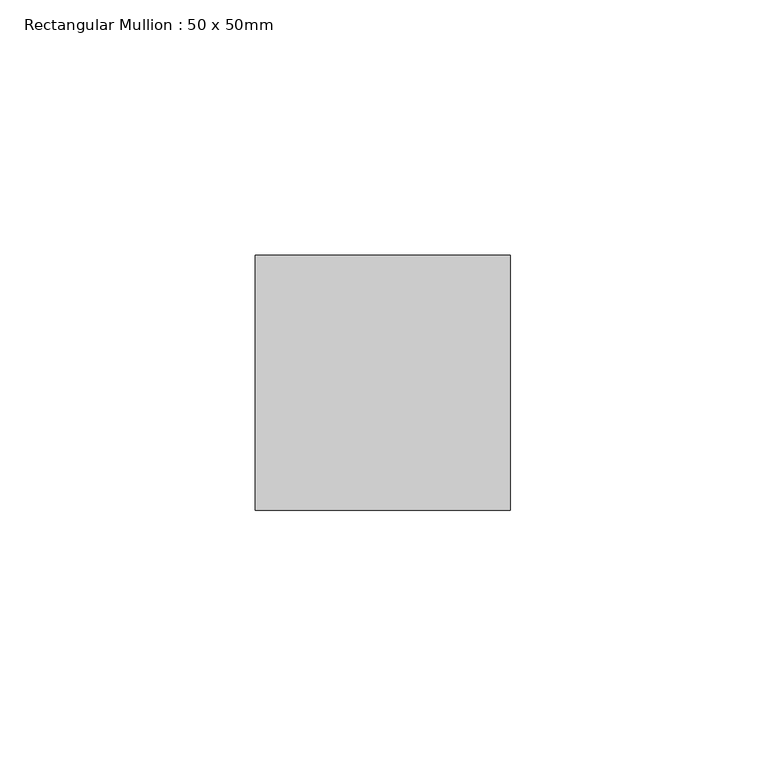
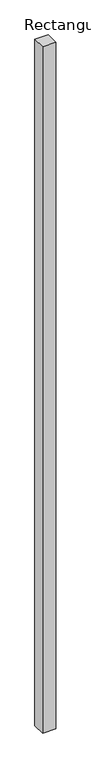
"""IFC4 building model written with IfcOpenShell, lengths in millimetres: member geometry, Rectangular Mullion : 50 x 50mm."""

from ifc_helpers import new_model, si_unit, frame, origin, place, context, project, spatial, polyline, outline, extrude, source, transform, mapped, element, save


def rectangular_mullion_50_x_50mm_50fad2df(model_context):
    return source(origin(), model_context, "Body", "SweptSolid", [
        extrude(outline(polyline([(0.0, 50.0), (0.0, 0.0), (-50.0, 0.0), (-50.0, 50.0), (0.0, 50.0)])), frame((0.0, 0.0, -2750.0), z_axis=(0.0, 0.0, 1.0), x_axis=(1.0, 0.0, 0.0)), (0.0, 0.0, 1.0), 2750.0),
    ])


if __name__ == "__main__":
    model = new_model("IFC4")
    model_context = context("Model", 3, world=origin())
    ifc_project = project(units=[si_unit("LENGTHUNIT", "METRE", prefix="MILLI")], contexts=[model_context])
    site = spatial("IfcSite", under=ifc_project)
    building = spatial("IfcBuilding", under=site)
    placement = place(None, origin())
    rectangular_mullion_50_x_50mm_shape = rectangular_mullion_50_x_50mm_50fad2df(model_context)
    element("IfcMember", 1, ObjectType="Rectangular Mullion : 50 x 50mm", at=placement, inside=building, context=model_context, shape_type="MappedRepresentation", body=[
        mapped(rectangular_mullion_50_x_50mm_shape, transform((0.0, 0.0, 0.0), x_axis=(1.0, 0.0, 0.0), y_axis=(0.0, 1.0, 0.0), z_axis=(0.0, 0.0, 1.0))),
    ])
    save(model, "model.ifc")
